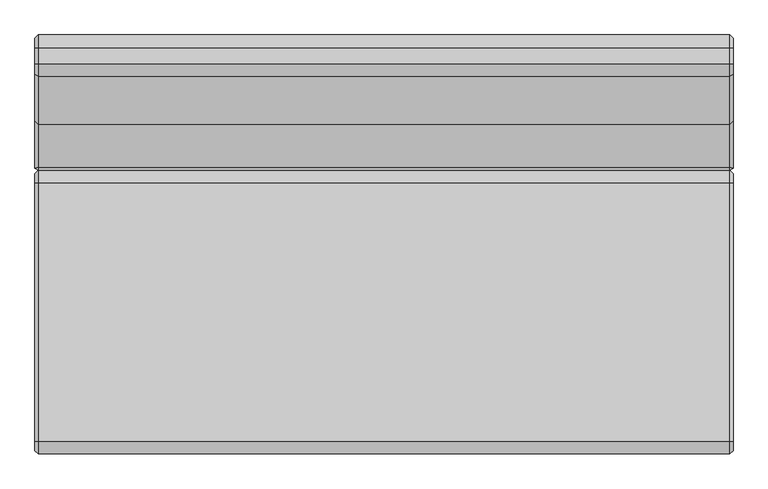
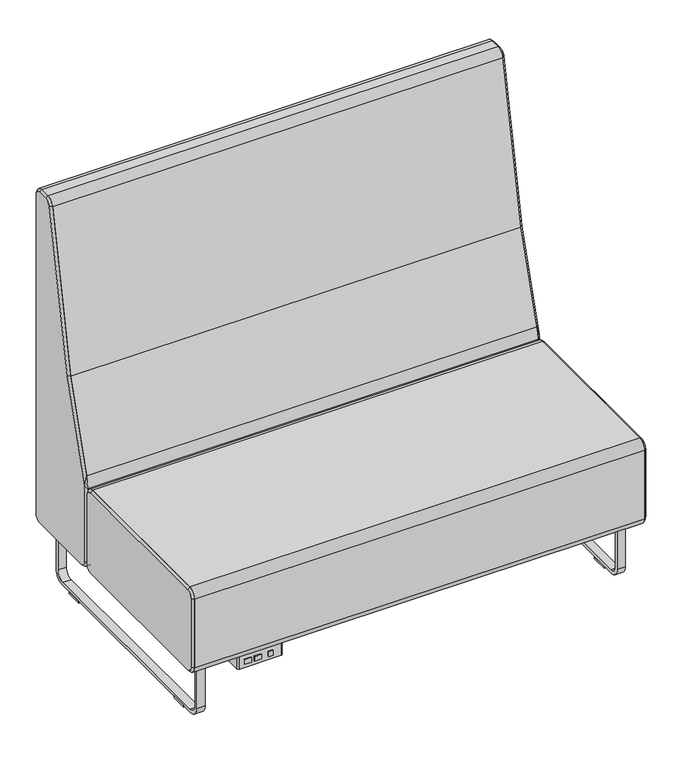
"""IFC4 building model written with IfcOpenShell, lengths in millimetres: furniture geometry."""

import ifcopenshell
import ifcopenshell.guid

model = None  # the IFC model being written
_history = None  # IfcOwnerHistory: only IFC2X3 demands one
_inside = {}  # id of a spatial element -> (the spatial element, [elements in it])
_under = {}  # id of a project, library or spatial element -> (it, [spatial elements below it])
_declared = {}  # id of a project -> (the project, [libraries it declares])
_typed = {}  # id of a type object -> (the type object, [elements of that type])
_made_of = {}  # id of a material, layer set ... -> (it, [elements and type objects made of it])


def new_model(schema):
    """Start an empty IFC model of exactly this schema.

    Asked for "IFC4X3", IfcOpenShell would pick the latest addendum, in which some entities
    have other attributes; the version numbers below select the first issue.
    IFC2X3 requires an IfcOwnerHistory on every rooted entity: one is made here for all.
    """
    global model, _history
    if schema == "IFC4X3":
        model = ifcopenshell.file(schema_version=(4, 3, 0, 0))
    else:
        model = ifcopenshell.file(schema=schema)
    _inside.clear()
    _under.clear()
    _declared.clear()
    _typed.clear()
    _made_of.clear()
    _history = None
    if model.schema == "IFC2X3":
        org = make("IfcOrganization", Name="unknown")
        user = make(
            "IfcPersonAndOrganization",
            ThePerson=make("IfcPerson", FamilyName="unknown"),
            TheOrganization=org,
        )
        app = make(
            "IfcApplication",
            ApplicationDeveloper=org,
            Version="unknown",
            ApplicationFullName="unknown",
            ApplicationIdentifier="unknown",
        )
        _history = make(
            "IfcOwnerHistory",
            OwningUser=user,
            OwningApplication=app,
            ChangeAction="ADDED",
            CreationDate=0,
        )
    return model


def make(cls, **values):
    """One entity of the class cls with the attributes given. An attribute that is None is left unset."""
    return model.create_entity(
        cls, **{name: value for name, value in values.items() if value is not None}
    )


def rooted(cls, **values):
    """An entity with a GlobalId (a new one), such as an element, a storey or a relation."""
    return make(cls, GlobalId=ifcopenshell.guid.new(), OwnerHistory=_history, **values)


def si_unit(unit_type, name, prefix=None):
    """IfcSIUnit, for example si_unit("LENGTHUNIT", "METRE", prefix="MILLI")."""
    return make("IfcSIUnit", UnitType=unit_type, Prefix=prefix, Name=name)


def assignment(units):
    """IfcUnitAssignment: the units of a project."""
    return None if units is None else make("IfcUnitAssignment", Units=units)


def point(xyz):
    """IfcCartesianPoint."""
    return None if xyz is None else make("IfcCartesianPoint", Coordinates=xyz)


def direction(xyz):
    """IfcDirection."""
    return None if xyz is None else make("IfcDirection", DirectionRatios=xyz)


def frame(location, z_axis=None, x_axis=None):
    """IfcAxis2Placement3D, a coordinate frame: its origin and axes. An axis left out is left unset."""
    return make(
        "IfcAxis2Placement3D",
        Location=point(location),
        Axis=direction(z_axis),
        RefDirection=direction(x_axis),
    )


def frame_2d(location, x_axis=None):
    """IfcAxis2Placement2D, a coordinate frame in the plane: its origin and x axis."""
    return make(
        "IfcAxis2Placement2D", Location=point(location), RefDirection=direction(x_axis)
    )


def origin():
    """The frame at (0, 0, 0) with its axes left unset."""
    return frame((0.0, 0.0, 0.0))


def origin_with_axes():
    """The frame at (0, 0, 0) with the z axis (0, 0, 1) and the x axis (1, 0, 0) written out."""
    return frame((0.0, 0.0, 0.0), z_axis=(0.0, 0.0, 1.0), x_axis=(1.0, 0.0, 0.0))


def place(relative_to, where):
    """IfcLocalPlacement: puts the frame where relative to a parent placement (None: the world)."""
    return make(
        "IfcLocalPlacement", PlacementRelTo=relative_to, RelativePlacement=where
    )


def context(
    kind, dimensions, precision=None, world=None, true_north=None, identifier=None
):
    """IfcGeometricRepresentationContext, for example the 3D "Model" context."""
    return make(
        "IfcGeometricRepresentationContext",
        ContextIdentifier=identifier,
        ContextType=kind,
        CoordinateSpaceDimension=dimensions,
        Precision=precision,
        WorldCoordinateSystem=world,
        TrueNorth=true_north,
    )


def project(units=None, contexts=None):
    """IfcProject with its units and contexts."""
    return rooted(
        "IfcProject",
        Name="project",
        RepresentationContexts=contexts,
        UnitsInContext=assignment(units),
    )


def spatial(cls, under=None, at=None, **own):
    """A site, building, storey or space (cls), placed at a placement, below another one or the project."""
    s = rooted(cls, ObjectPlacement=at, **own)
    if under is not None:
        _under.setdefault(under.id(), (under, []))[1].append(s)
    return s


def polyline(points):
    """IfcPolyline through the points."""
    return make("IfcPolyline", Points=[point(p) for p in points])


def circle_curve(where, radius):
    """IfcCircle in the frame where."""
    return make("IfcCircle", Position=where, Radius=radius)


def trimmed(basis, trim1, trim2, sense, master):
    """IfcTrimmedCurve: the piece of a basis curve between two trims."""
    return make(
        "IfcTrimmedCurve",
        BasisCurve=basis,
        Trim1=trim1,
        Trim2=trim2,
        SenseAgreement=sense,
        MasterRepresentation=master,
    )


def segment(curve, same_sense, transition):
    """IfcCompositeCurveSegment."""
    return make(
        "IfcCompositeCurveSegment",
        Transition=transition,
        SameSense=same_sense,
        ParentCurve=curve,
    )


def composite_curve(segments, self_intersect=None):
    """IfcCompositeCurve: segments joined end to end."""
    return make("IfcCompositeCurve", Segments=segments, SelfIntersect=self_intersect)


def outline(outer, holes=None, kind="AREA"):
    """IfcArbitraryClosedProfileDef: a profile drawn as a closed curve; with holes, ...WithVoids."""
    if holes is None:
        return make("IfcArbitraryClosedProfileDef", ProfileType=kind, OuterCurve=outer)
    return make(
        "IfcArbitraryProfileDefWithVoids",
        ProfileType=kind,
        OuterCurve=outer,
        InnerCurves=holes,
    )


def extrude(swept, where, along, depth):
    """IfcExtrudedAreaSolid: the profile swept, set in the frame where, extruded along a direction by depth."""
    return make(
        "IfcExtrudedAreaSolid",
        SweptArea=swept,
        Position=where,
        ExtrudedDirection=direction(along),
        Depth=depth,
    )


def shape(context_of_items, identifier, shape_type, items):
    """IfcShapeRepresentation: the items that make up one representation, for example the "Body"."""
    return make(
        "IfcShapeRepresentation",
        ContextOfItems=context_of_items,
        RepresentationIdentifier=identifier,
        RepresentationType=shape_type,
        Items=items,
    )


def source(mapping_origin, context_of_items, identifier, shape_type, items):
    """IfcRepresentationMap: a shape defined once, which mapped items show again and again."""
    return make(
        "IfcRepresentationMap",
        MappingOrigin=mapping_origin,
        MappedRepresentation=shape(context_of_items, identifier, shape_type, items),
    )


def transform(
    local_origin,
    x_axis=None,
    y_axis=None,
    z_axis=None,
    scale=None,
    scale2=None,
    scale3=None,
    uniform=True,
):
    """IfcCartesianTransformationOperator3D, or its non-uniform kind. x_axis, y_axis, z_axis: its Axis1, 2, 3."""
    if uniform:
        return make(
            "IfcCartesianTransformationOperator3D",
            Axis1=direction(x_axis),
            Axis2=direction(y_axis),
            LocalOrigin=point(local_origin),
            Scale=scale,
            Axis3=direction(z_axis),
        )
    return make(
        "IfcCartesianTransformationOperator3DnonUniform",
        Axis1=direction(x_axis),
        Axis2=direction(y_axis),
        LocalOrigin=point(local_origin),
        Scale=scale,
        Axis3=direction(z_axis),
        Scale2=scale2,
        Scale3=scale3,
    )


def mapped(mapping_source, mapping_target):
    """IfcMappedItem: shows the shape of a source again, moved by a transform."""
    return make(
        "IfcMappedItem", MappingSource=mapping_source, MappingTarget=mapping_target
    )


def made_of(thing, what):
    """Note that an element or type object is made of a material, layer set ...; save() writes the relation."""
    if what is not None:
        _made_of.setdefault(what.id(), (what, []))[1].append(thing)
    return thing


def element(
    cls,
    number,
    at=None,
    inside=None,
    cuts=None,
    type_object=None,
    material=None,
    context=None,
    identifier="Body",
    shape_type=None,
    held_by="IfcProductDefinitionShape",
    body=None,
    shapes=None,
    **own,
):
    """One element of the class cls, such as IfcWall. Its Tag is "e" and its number.

    at: its placement. inside: the storey or other place that contains it. cuts: it is an
    opening in that element (IfcRelVoidsElement). A single representation is given by context,
    identifier, shape_type and body (its items); several are given by shapes. held_by: the class
    of the entity that holds the representations. save() writes the other relations.
    """
    e = rooted(cls, Tag="e%d" % number, ObjectPlacement=at, **own)
    if body is not None:
        shapes = [shape(context, identifier, shape_type, body)]
    if shapes is not None:
        e.Representation = make(held_by, Representations=shapes)
    if inside is not None:
        _inside.setdefault(inside.id(), (inside, []))[1].append(e)
    if cuts is not None:
        rooted(
            "IfcRelVoidsElement", RelatingBuildingElement=cuts, RelatedOpeningElement=e
        )
    if type_object is not None:
        _typed.setdefault(type_object.id(), (type_object, []))[1].append(e)
    return made_of(e, material)


def aggregate(whole, parts):
    """IfcRelAggregates: a whole, such as a stair, and the parts it consists of."""
    return rooted("IfcRelAggregates", RelatingObject=whole, RelatedObjects=parts)


def save(model, path):
    """Write the relations noted so far, then the file.

    IfcRelAggregates (storeys below a building ...), IfcRelContainedInSpatialStructure (elements
    in a storey), IfcRelDefinesByType, IfcRelAssociatesMaterial and IfcRelDeclares: one each for
    every whole, place, type object, material and project.
    """
    for whole, parts in _under.values():
        aggregate(whole, parts)
    for where, things in _inside.values():
        rooted(
            "IfcRelContainedInSpatialStructure",
            RelatedElements=things,
            RelatingStructure=where,
        )
    for kind, things in _typed.values():
        rooted("IfcRelDefinesByType", RelatedObjects=things, RelatingType=kind)
    for what, things in _made_of.values():
        rooted("IfcRelAssociatesMaterial", RelatedObjects=things, RelatingMaterial=what)
    for by, libraries in _declared.values():
        rooted("IfcRelDeclares", RelatingContext=by, RelatedDefinitions=libraries)
    model.write(path)


def plane_surface(at):
    """IfcPlane: the flat surface through the origin of the frame at, square to its z axis."""
    return make("IfcPlane", Position=at)


def revolved_surface(curve, axis_point, axis_direction):
    """IfcSurfaceOfRevolution: the curve turned about the line through axis_point along axis_direction."""
    return make(
        "IfcSurfaceOfRevolution",
        SweptCurve=make("IfcArbitraryOpenProfileDef", ProfileType="CURVE", Curve=curve),
        AxisPosition=make("IfcAxis1Placement", Location=point(axis_point), Axis=direction(axis_direction)),
    )


def spline_surface(u_degree, v_degree, points, u_multiplicities, v_multiplicities, u_knots, v_knots, weights=None):
    """IfcBSplineSurfaceWithKnots; with weights, IfcRationalBSplineSurfaceWithKnots. points: one row for each step in u."""
    own = dict(
        UDegree=u_degree,
        VDegree=v_degree,
        ControlPointsList=[[point(p) for p in row] for row in points],
        SurfaceForm="UNSPECIFIED",
        UClosed=False,
        VClosed=False,
        SelfIntersect=False,
        UMultiplicities=u_multiplicities,
        VMultiplicities=v_multiplicities,
        UKnots=u_knots,
        VKnots=v_knots,
        KnotSpec="UNSPECIFIED",
    )
    if weights is None:
        return make("IfcBSplineSurfaceWithKnots", **own)
    return make("IfcRationalBSplineSurfaceWithKnots", WeightsData=weights, **own)


def advanced_brep(points, edges, surfaces, faces):
    """IfcAdvancedBrep: a solid bounded by faces that lie on surfaces and meet in shared edges.

    An edge is (start, end): straight between two places in points (the first is 0);
    or (start, end, curve); or (start, end, curve, False) where it runs against its curve.
    A face is (place in surfaces, loops), or (place, loops, False) where it looks against
    its surface's normal. A loop lists edges by number (the first is 1), with a minus sign
    where the edge is run from its end to its start. The first loop is the outer one.
    """
    corners = [point(p) for p in points]
    vertices = [make("IfcVertexPoint", VertexGeometry=c) for c in corners]
    made = []
    for start, end, *more in edges:
        made.append(
            make(
                "IfcEdgeCurve",
                EdgeStart=vertices[start],
                EdgeEnd=vertices[end],
                EdgeGeometry=more[0] if more else make("IfcPolyline", Points=[corners[start], corners[end]]),
                SameSense=more[1] if len(more) > 1 else True,
            )
        )
    hull = []
    for where, loops, *sense in faces:
        bounds = []
        for j, loop in enumerate(loops):
            ring = [make("IfcOrientedEdge", EdgeElement=made[abs(k) - 1], Orientation=k > 0) for k in loop]
            bounds.append(
                make(
                    "IfcFaceOuterBound" if j == 0 else "IfcFaceBound",
                    Bound=make("IfcEdgeLoop", EdgeList=ring),
                    Orientation=True,
                )
            )
        hull.append(make("IfcAdvancedFace", Bounds=bounds, FaceSurface=surfaces[where], SameSense=sense[0] if sense else True))
    return make("IfcAdvancedBrep", Outer=make("IfcClosedShell", CfsFaces=hull))


def furniture_6b2443b5(model_context):
    return source(origin(), model_context, "Body", "SolidModel", [
        extrude(outline(polyline([(-780.0135905, -367.8609794), (-793.8184165, -367.8609794), (-793.8184165, -364.6859794), (-780.0135905, -364.6859794), (-780.0135905, -367.8609794)])), frame((0.0, 0.0, 148.4693805), z_axis=(0.0, 0.0, 1.0), x_axis=(1.0, 0.0, 0.0)), (0.0, 0.0, 1.0), 15.3288336),
        extrude(outline(polyline([(-816.1260038, -367.8609794), (-837.5402709, -367.8609794), (-837.5402709, -364.6859794), (-816.1260038, -364.6859794), (-816.1260038, -367.8609794)])), frame((0.0, 0.0, 148.4693805), z_axis=(0.0, 0.0, 1.0), x_axis=(1.0, 0.0, 0.0)), (0.0, 0.0, 1.0), 15.3288336),
        extrude(outline(polyline([(-846.3520036, -367.8609794), (-867.2562055, -367.8609794), (-867.2562055, -364.6859794), (-846.3520036, -364.6859794), (-846.3520036, -367.8609794)])), frame((0.0, 0.0, 148.4693805), z_axis=(0.0, 0.0, 1.0), x_axis=(1.0, 0.0, 0.0)), (0.0, 0.0, 1.0), 15.3288336),
        extrude(outline(composite_curve([segment(trimmed(circle_curve(frame_2d((-748.5937537, -295.6297294)), 0.79375), [point((-748.5937537, -294.8359794))], [point((-747.8000037, -295.6297294))], False, "CARTESIAN"), True, "CONTINUOUS"), segment(polyline([(-747.8000037, -295.6297294), (-747.8000037, -358.3359794)]), True, "CONTINUOUS"), segment(trimmed(circle_curve(frame_2d((-754.1500037, -358.3359794)), 6.35), [point((-747.8000037, -358.3359794))], [point((-754.1500037, -364.6859794))], False, "CARTESIAN"), True, "CONTINUOUS"), segment(polyline([(-754.1500037, -364.6859794), (-881.1500037, -364.6859794)]), True, "CONTINUOUS"), segment(trimmed(circle_curve(frame_2d((-881.1500037, -358.3359794)), 6.35), [point((-881.1500037, -364.6859794))], [point((-887.5000037, -358.3359794))], False, "CARTESIAN"), True, "CONTINUOUS"), segment(polyline([(-887.5000037, -358.3359794), (-887.5000037, -295.6297294)]), True, "CONTINUOUS"), segment(trimmed(circle_curve(frame_2d((-886.7062537, -295.6297294)), 0.79375), [point((-887.5000037, -295.6297294))], [point((-886.7062537, -294.8359794))], False, "CARTESIAN"), True, "CONTINUOUS"), segment(polyline([(-886.7062537, -294.8359794), (-748.5937537, -294.8359794)]), True, "CONTINUOUS")], self_intersect=False)), frame((0.0, 0.0, 136.525), z_axis=(0.0, 0.0, 1.0), x_axis=(1.0, 0.0, 0.0)), (0.0, 0.0, 1.0), 44.45),
        extrude(outline(composite_curve([segment(trimmed(circle_curve(frame_2d((-738.2750037, -304.3609794)), 3.175), [point((-738.2750037, -301.1859794))], [point((-735.1000037, -304.3609794))], False, "CARTESIAN"), True, "CONTINUOUS"), segment(polyline([(-735.1000037, -304.3609794), (-735.1000037, -355.1609794)]), True, "CONTINUOUS"), segment(trimmed(circle_curve(frame_2d((-738.2750037, -355.1609794)), 3.175), [point((-735.1000037, -355.1609794))], [point((-738.2750037, -358.3359794))], False, "CARTESIAN"), True, "CONTINUOUS"), segment(polyline([(-738.2750037, -358.3359794), (-897.0250037, -358.3359794)]), True, "CONTINUOUS"), segment(trimmed(circle_curve(frame_2d((-897.0250037, -355.1609794)), 3.175), [point((-897.0250037, -358.3359794))], [point((-900.2000037, -355.1609794))], False, "CARTESIAN"), True, "CONTINUOUS"), segment(polyline([(-900.2000037, -355.1609794), (-900.2000037, -304.3609794)]), True, "CONTINUOUS"), segment(trimmed(circle_curve(frame_2d((-897.0250037, -304.3609794)), 3.175), [point((-900.2000037, -304.3609794))], [point((-897.0250037, -301.1859794))], False, "CARTESIAN"), True, "CONTINUOUS"), segment(polyline([(-897.0250037, -301.1859794), (-738.2750037, -301.1859794)]), True, "CONTINUOUS")], self_intersect=False)), frame((0.0, 0.0, 180.975), z_axis=(0.0, 0.0, 1.0), x_axis=(1.0, 0.0, 0.0)), (0.0, 0.0, 1.0), 3.175),
        advanced_brep(
        [(-1041.4, 151.6980231, 450.85), (-1041.4, 170.7480231, 431.8), (-1041.4, 170.7480231, 209.55), (-1041.4, 151.6980231, 190.5), (-1041.4, -364.6859794, 190.5), (-1041.4, -383.7359794, 209.55), (-1041.4, -383.7359794, 431.8), (-1041.4, -364.6859794, 450.85), (-1035.05, 151.6980231, 457.2), (-1035.05, -364.6859794, 457.2), (-1035.05, -390.0859794, 431.8), (-1035.05, -390.0859794, 209.55), (-1035.05, -364.6859794, 184.15), (-1035.05, 151.6980231, 184.15), (-1035.05, 177.0980231, 209.55), (-1035.05, 177.0980231, 431.8)],
        [
            (0, 1, circle_curve(frame((-1041.4, 151.6980231, 431.8), z_axis=(-1.0, -2.768452134205448e-12, 0.0), x_axis=(0.0, 0.0, 1.0)), 19.05)),
            (1, 2),
            (2, 3, circle_curve(frame((-1041.4, 151.6980231, 209.55), z_axis=(-1.0, -3.1921132404024314e-12, 0.0), x_axis=(-3.1921549777551463e-12, 1.0, 0.0)), 19.05)),
            (3, 4),
            (4, 5, circle_curve(frame((-1041.4, -364.6859794, 209.55), z_axis=(-1.0, 0.0, 0.0), x_axis=(0.0, 0.0, -1.0)), 19.05)),
            (5, 6),
            (6, 7, circle_curve(frame((-1041.4, -364.6859794, 431.8), z_axis=(-1.0, 0.0, 0.0), x_axis=(0.0, -1.0, 0.0)), 19.05)),
            (7, 0),
            (8, 9),
            (9, 10, circle_curve(frame((-1035.05, -364.6859794, 431.8), z_axis=(1.0, 0.0, 0.0), x_axis=(0.0, -1.0, 0.0)), 25.4)),
            (10, 11),
            (11, 12, circle_curve(frame((-1035.05, -364.6859794, 209.55), z_axis=(1.0, 0.0, 0.0), x_axis=(0.0, 0.0, -1.0)), 25.4)),
            (12, 13),
            (13, 14, circle_curve(frame((-1035.05, 151.6980231, 209.55), z_axis=(1.0, 3.1921132404024314e-12, 0.0), x_axis=(-3.1921549777551463e-12, 1.0, 0.0)), 25.4)),
            (14, 15),
            (15, 8, circle_curve(frame((-1035.05, 151.6980231, 431.8), z_axis=(1.0, 2.768452134205448e-12, 0.0), x_axis=(0.0, 0.0, 1.0)), 25.4)),
            (14, 2),
            (1, 15),
            (12, 4),
            (3, 13),
            (10, 6),
            (5, 11),
            (8, 0),
            (7, 9),
        ],
        [
            plane_surface(frame((-1041.4, -106.4939782, 320.675), z_axis=(-1.0, 0.0, 0.0), x_axis=(0.0, 1.0, 0.0))),
            plane_surface(frame((-1035.05, -106.4939782, 320.675), z_axis=(1.0, 0.0, 0.0), x_axis=(0.0, 1.0, 0.0))),
            plane_surface(frame((-1035.05, 177.0980231, 320.675), z_axis=(-0.7071067811876215, 0.7071067811854735, 0.0), x_axis=(0.0, 0.0, -1.0))),
            plane_surface(frame((-1035.05, -106.4939782, 184.15), z_axis=(-0.7071067811863855, 0.0, -0.7071067811867096), x_axis=(0.0, -1.0, 0.0))),
            plane_surface(frame((-1035.05, -390.0859794, 320.675), z_axis=(-0.7071067811866266, -0.7071067811864684, 0.0), x_axis=(0.0, 0.0, 1.0))),
            plane_surface(frame((-1035.05, -106.4939782, 457.2), z_axis=(-0.7071067811865928, 0.0, 0.7071067811865024), x_axis=(0.0, 1.0, 0.0))),
            revolved_surface(polyline([(-1041.4, 151.6980231, 450.8499999999999), (-1035.0499999999297, 151.6980231, 457.2000000000703)]), (-1060.45, 151.6980231, 431.8), (1.0, 2.768452134205448e-12, 0.0)),
            revolved_surface(polyline([(-1041.4000000000608, 170.74802309993908, 209.55), (-1035.05, 177.0980231, 209.55)]), (-1060.45, 151.6980231, 209.55), (1.0, 3.1921132404024314e-12, 0.0)),
            revolved_surface(polyline([(-1041.4, -364.6859794, 190.5000000000001), (-1035.05, -364.6859794, 184.15)]), (-1060.45, -364.6859794, 209.55), (1.0, 0.0, 0.0)),
            revolved_surface(polyline([(-1041.4, -383.7359793999999, 431.8), (-1035.05, -390.0859794, 431.8)]), (-1060.45, -364.6859794, 431.8), (1.0, 0.0, 0.0)),
        ],
        [
            (0, [[1, 2, 3, 4, 5, 6, 7, 8]]),
            (1, [[9, 10, 11, 12, 13, 14, 15, 16]]),
            (2, [[-15, 17, -2, 18]]),
            (3, [[-13, 19, -4, 20]]),
            (4, [[-11, 21, -6, 22]]),
            (5, [[-9, 23, -8, 24]]),
            (6, [[-16, -18, -1, -23]]),
            (7, [[-14, -20, -3, -17]]),
            (8, [[-12, -22, -5, -19]]),
            (9, [[-10, -24, -7, -21]]),
        ],
    ),
        advanced_brep(
        [(355.6, 441.7640206, 209.55), (355.6, 441.7640206, 1243.6301753), (355.6, 421.7441958, 1263.65), (355.6, 390.0258576, 1263.65), (355.6, 370.6351744, 1247.6591529), (355.6, 275.0456068, 754.8593998), (355.6, 181.6267453, 456.75942), (355.6, 181.6267453, 209.55), (355.6, 200.6767453, 190.5), (355.6, 422.7140206, 190.5), (349.25, 448.1140206, 209.55), (349.25, 422.7140206, 184.15), (349.25, 202.4980231, 184.15), (349.25, 177.0980231, 209.55), (349.25, 177.0980231, 448.1421227), (349.25, 183.8862715, 485.2041409), (349.25, 268.8796408, 756.4183397), (349.25, 364.4013661, 1248.8683399), (349.25, 390.0258576, 1270.0), (349.25, 421.7441958, 1270.0), (349.25, 448.1140206, 1243.6301753)],
        [
            (0, 1),
            (1, 2, circle_curve(frame((355.6, 421.7441958, 1243.6301753), z_axis=(1.0, 0.0, 0.0), x_axis=(0.0, 1.0, 0.0)), 20.0198247)),
            (2, 3),
            (3, 4, circle_curve(frame((355.6, 390.0258576, 1243.8978949), z_axis=(1.0, 0.0, 1.1937117960814128e-12), x_axis=(-1.1937412963337627e-12, 0.0, 1.0)), 19.7521051)),
            (4, 5),
            (5, 6),
            (6, 7),
            (7, 8, circle_curve(frame((355.6, 200.6767453, 209.55), z_axis=(1.0, 0.0, 0.0), x_axis=(0.0, -1.0, 0.0)), 19.05)),
            (8, 9),
            (9, 0, circle_curve(frame((355.6, 422.7140206, 209.55), z_axis=(1.0, 0.0, 0.0), x_axis=(0.0, 0.0, -1.0)), 19.05)),
            (10, 11, circle_curve(frame((349.25, 422.7140206, 209.55), z_axis=(-1.0, 0.0, 0.0), x_axis=(0.0, 0.0, -1.0)), 25.4)),
            (11, 12),
            (12, 13, circle_curve(frame((349.25, 202.4980231, 209.55), z_axis=(-1.0, 0.0, 0.0), x_axis=(0.0, -1.0, 0.0)), 25.4)),
            (13, 14),
            (14, 15, circle_curve(frame((349.25, 330.963593, 439.112907), z_axis=(-1.0, 0.0, 0.0), x_axis=(0.0, -1.0, 0.0)), 154.1302707)),
            (15, 16),
            (16, 17),
            (17, 18, circle_curve(frame((349.25, 390.0258576, 1243.8978949), z_axis=(-1.0, 0.0, -1.1937117960814128e-12), x_axis=(-1.1937412963337627e-12, 0.0, 1.0)), 26.1021051)),
            (18, 19),
            (19, 20, circle_curve(frame((349.25, 421.7441958, 1243.6301753), z_axis=(-1.0, 0.0, 0.0), x_axis=(0.0, 1.0, 0.0)), 26.3698247)),
            (20, 10),
            (20, 1),
            (0, 10),
            (14, 6),
            (6, 15),
            (18, 3),
            (2, 19),
            (5, 16),
            (4, 17),
            (11, 9),
            (8, 12),
            (13, 7),
        ],
        [
            plane_surface(frame((355.6, 332.7623132, 703.0308148), z_axis=(1.0, 0.0, 0.0), x_axis=(0.0, -1.0, 0.0))),
            plane_surface(frame((349.25, 318.5975875, 682.6966471), z_axis=(-1.0, 0.0, 0.0), x_axis=(0.0, -1.0, 0.0))),
            plane_surface(frame((349.25, 448.1140206, 726.5900876), z_axis=(0.7071067811877572, 0.7071067811853379, 0.0), x_axis=(0.0, 0.0, 1.0))),
            spline_surface(2, 1, [[(349.25, 183.8862715, 485.2041409), (355.6, 181.6267453, 456.75942)], [(349.25, 178.20999802483482, 467.09112836245816), (355.6, 181.6267453, 456.75942)], [(349.25, 177.0980231, 448.1421227), (355.6, 181.6267453, 456.75942)]], [3, 3], [2, 2], [0.0, 1.0], [0.0, 1.0], weights=[[1.0, 1.0], [0.9925018543197952, 0.9925018543197952], [1.0, 1.0]]),
            plane_surface(frame((349.25, 405.8850267, 1270.0), z_axis=(0.707106781187825, 0.0, 0.70710678118527), x_axis=(0.0, -1.0, 0.0))),
            plane_surface(frame((349.25, 226.3829562, 620.8112403), z_axis=(0.7071067811878768, -0.6747498133218032, 0.2114537524384756), x_axis=(0.0, -0.29904076451373685, -0.954240337210202))),
            plane_surface(frame((349.25, 316.6405034, 1002.6433398), z_axis=(0.7071067811877871, -0.6941682162898245, 0.13464949866691173), x_axis=(0.0, -0.19042314718181808, -0.9817021060471307))),
            revolved_surface(polyline([(355.6, 390.0258576, 1263.65), (349.24999999996885, 390.0258576, 1270.0000000000312)]), (375.3521051, 390.0258576, 1243.8978949), (-1.0, 0.0, -1.1937117960814128e-12)),
            revolved_surface(polyline([(355.6, 441.7640205759194, 1243.6301753), (349.25, 448.1140206, 1243.6301753)]), (375.6198247, 421.7441958, 1243.6301753), (-1.0, 0.0, 0.0)),
            plane_surface(frame((349.25, 312.6060218, 184.15), z_axis=(0.7071067811879985, 0.0, -0.7071067811850965), x_axis=(0.0, 1.0, 0.0))),
            plane_surface(frame((349.25, 177.0980231, 328.8460613), z_axis=(0.5806444204860475, -0.8141572679516054, 0.0), x_axis=(0.0, 0.0, -1.0))),
            revolved_surface(polyline([(355.6, 422.7140206, 190.50000000000003), (349.25, 422.7140206, 184.15)]), (374.65, 422.7140206, 209.55), (-1.0, 0.0, 0.0)),
            spline_surface(2, 1, [[(349.25, 177.0980231, 209.55), (355.6, 181.6267453, 209.55)], [(349.25, 177.0980231, 184.15), (355.6, 181.6267453, 190.50000000000003)], [(349.25, 202.4980231, 184.15), (355.6, 200.6767453, 190.5)]], [3, 3], [2, 2], [0.0, 1.0], [0.0, 1.0], weights=[[1.0, 1.0], [0.7071067811865476, 0.7071067811865476], [1.0, 1.0]]),
        ],
        [
            (0, [[1, 2, 3, 4, 5, 6, 7, 8, 9, 10]]),
            (1, [[11, 12, 13, 14, 15, 16, 17, 18, 19, 20, 21]]),
            (2, [[-21, 22, -1, 23]]),
            (3, [[-15, 24, 25]]),
            (4, [[-19, 26, -3, 27]]),
            (5, [[-16, -25, -6, 28]]),
            (6, [[-17, -28, -5, 29]]),
            (7, [[-18, -29, -4, -26]]),
            (8, [[-20, -27, -2, -22]]),
            (9, [[-12, 30, -9, 31]]),
            (10, [[-14, 32, -7, -24]]),
            (11, [[-11, -23, -10, -30]]),
            (12, [[-13, -31, -8, -32]]),
        ],
    ),
        advanced_brep(
        [(355.6, 151.6980231, 450.85), (355.6, -364.6859794, 450.85), (355.6, -383.7359794, 431.8), (355.6, -383.7359794, 209.55), (355.6, -364.6859794, 190.5), (355.6, 151.6980231, 190.5), (355.6, 170.7480231, 209.55), (355.6, 170.7480231, 431.8), (349.25, 151.6980231, 457.2), (349.25, 177.0980231, 431.8), (349.25, 177.0980231, 209.55), (349.25, 151.6980231, 184.15), (349.25, -364.6859794, 184.15), (349.25, -390.0859794, 209.55), (349.25, -390.0859794, 431.8), (349.25, -364.6859794, 457.2)],
        [
            (0, 1),
            (1, 2, circle_curve(frame((355.6, -364.6859794, 431.8), z_axis=(1.0, 0.0, 0.0), x_axis=(0.0, 0.0, 1.0)), 19.05)),
            (2, 3),
            (3, 4, circle_curve(frame((355.6, -364.6859794, 209.55), z_axis=(1.0, 0.0, 0.0), x_axis=(0.0, -1.0, 0.0)), 19.05)),
            (4, 5),
            (5, 6, circle_curve(frame((355.6, 151.6980231, 209.55), z_axis=(1.0, -2.8617108682842753e-12, 0.0), x_axis=(0.0, 0.0, -1.0)), 19.05)),
            (6, 7),
            (7, 0, circle_curve(frame((355.6, 151.6980231, 431.8), z_axis=(1.0, -2.4433788326040377e-12, 0.0), x_axis=(2.443377884202076e-12, 1.0, 0.0)), 19.05)),
            (8, 9, circle_curve(frame((349.25, 151.6980231, 431.8), z_axis=(-1.0, 2.4433788326040377e-12, 0.0), x_axis=(2.443377884202076e-12, 1.0, 0.0)), 25.4)),
            (9, 10),
            (10, 11, circle_curve(frame((349.25, 151.6980231, 209.55), z_axis=(-1.0, 2.8617108682842753e-12, 0.0), x_axis=(0.0, 0.0, -1.0)), 25.4)),
            (11, 12),
            (12, 13, circle_curve(frame((349.25, -364.6859794, 209.55), z_axis=(-1.0, 0.0, 0.0), x_axis=(0.0, -1.0, 0.0)), 25.4)),
            (13, 14),
            (14, 15, circle_curve(frame((349.25, -364.6859794, 431.8), z_axis=(-1.0, 0.0, 0.0), x_axis=(0.0, 0.0, 1.0)), 25.4)),
            (15, 8),
            (9, 7),
            (6, 10),
            (11, 5),
            (4, 12),
            (13, 3),
            (2, 14),
            (15, 1),
            (0, 8),
        ],
        [
            plane_surface(frame((355.6, -106.4939782, 320.675), z_axis=(1.0, 0.0, 0.0), x_axis=(0.0, -1.0, 0.0))),
            plane_surface(frame((349.25, -106.4939782, 320.675), z_axis=(-1.0, 0.0, 0.0), x_axis=(0.0, -1.0, 0.0))),
            plane_surface(frame((349.25, 177.0980231, 320.675), z_axis=(0.7071067811887972, 0.7071067811842979, 0.0), x_axis=(0.0, 0.0, 1.0))),
            plane_surface(frame((349.25, -106.4939782, 184.15), z_axis=(0.7071067811876705, 0.0, -0.7071067811854246), x_axis=(0.0, 1.0, 0.0))),
            plane_surface(frame((349.25, -390.0859794, 320.675), z_axis=(0.7071067811879042, -0.707106781185191, 0.0), x_axis=(0.0, 0.0, -1.0))),
            plane_surface(frame((349.25, -106.4939782, 457.2), z_axis=(0.7071067811878551, 0.0, 0.70710678118524), x_axis=(0.0, -1.0, 0.0))),
            revolved_surface(polyline([(355.6000000000466, 170.74802309995343, 431.8), (349.25, 177.0980231, 431.8)]), (374.65, 151.6980231, 431.8), (-1.0, 2.4433788326040377e-12, 0.0)),
            revolved_surface(polyline([(355.6, 151.6980231, 190.50000000000003), (349.2499999999273, 151.6980231, 184.14999999992733)]), (374.65, 151.6980231, 209.55), (-1.0, 2.8617108682842753e-12, 0.0)),
            revolved_surface(polyline([(355.6, -383.73597939999996, 209.55), (349.25, -390.0859794, 209.55)]), (374.65, -364.6859794, 209.55), (-1.0, 0.0, 0.0)),
            revolved_surface(polyline([(355.6, -364.6859794, 450.84999999999997), (349.25, -364.6859794, 457.2)]), (374.65, -364.6859794, 431.8), (-1.0, 0.0, 0.0)),
        ],
        [
            (0, [[1, 2, 3, 4, 5, 6, 7, 8]]),
            (1, [[9, 10, 11, 12, 13, 14, 15, 16]]),
            (2, [[-10, 17, -7, 18]]),
            (3, [[-12, 19, -5, 20]]),
            (4, [[-14, 21, -3, 22]]),
            (5, [[-16, 23, -1, 24]]),
            (6, [[-9, -24, -8, -17]]),
            (7, [[-11, -18, -6, -19]]),
            (8, [[-13, -20, -4, -21]]),
            (9, [[-15, -22, -2, -23]]),
        ],
    ),
        extrude(outline(composite_curve([segment(polyline([(-364.6859794, 457.2), (151.6980231, 457.2)]), True, "CONTINUOUS"), segment(trimmed(circle_curve(frame_2d((151.6980231, 431.8)), 25.4), [point((151.6980231, 457.2))], [point((177.0980231, 431.8))], False, "CARTESIAN"), True, "CONTINUOUS"), segment(polyline([(177.0980231, 431.8), (177.0980231, 209.55)]), True, "CONTINUOUS"), segment(trimmed(circle_curve(frame_2d((151.6980231, 209.55)), 25.4), [point((177.0980231, 209.55))], [point((151.6980231, 184.15))], False, "CARTESIAN"), True, "CONTINUOUS"), segment(polyline([(151.6980231, 184.15), (-364.6859794, 184.15)]), True, "CONTINUOUS"), segment(trimmed(circle_curve(frame_2d((-364.6859794, 209.55)), 25.4), [point((-364.6859794, 184.15))], [point((-390.0859794, 209.55))], False, "CARTESIAN"), True, "CONTINUOUS"), segment(polyline([(-390.0859794, 209.55), (-390.0859794, 431.8)]), True, "CONTINUOUS"), segment(trimmed(circle_curve(frame_2d((-364.6859794, 431.8)), 25.4), [point((-390.0859794, 431.8))], [point((-364.6859794, 457.2))], False, "CARTESIAN"), True, "CONTINUOUS")], self_intersect=False)), frame((-1035.05, 0.0, 0.0), z_axis=(1.0, 0.0, 0.0), x_axis=(0.0, 1.0, 0.0)), (0.0, 0.0, 1.0), 1384.3),
        advanced_brep(
        [(-1041.4, 441.7640206, 209.55), (-1041.4, 422.7140206, 190.5), (-1041.4, 200.6767453, 190.5), (-1041.4, 181.6267453, 209.55), (-1041.4, 181.6267453, 456.75942), (-1041.4, 275.0456068, 754.8593998), (-1041.4, 370.6351744, 1247.6591529), (-1041.4, 390.0258576, 1263.65), (-1041.4, 421.7441958, 1263.65), (-1041.4, 441.7640206, 1243.6301753), (-1035.05, 448.1140206, 209.55), (-1035.05, 448.1140206, 1243.6301753), (-1035.05, 421.7441958, 1270.0), (-1035.05, 390.0258576, 1270.0), (-1035.05, 364.4013661, 1248.8683399), (-1035.05, 268.8796408, 756.4183397), (-1035.05, 183.8862715, 485.2041409), (-1035.05, 177.0980231, 448.1421227), (-1035.05, 177.0980231, 209.55), (-1035.05, 202.4980231, 184.15), (-1035.05, 422.7140206, 184.15)],
        [
            (0, 1, circle_curve(frame((-1041.4, 422.7140206, 209.55), z_axis=(-1.0, 0.0, 0.0), x_axis=(0.0, 1.0, 0.0)), 19.05)),
            (1, 2),
            (2, 3, circle_curve(frame((-1041.4, 200.6767453, 209.55), z_axis=(-1.0, 0.0, 0.0), x_axis=(0.0, -1.0, 0.0)), 19.05)),
            (3, 4),
            (4, 5),
            (5, 6),
            (6, 7, circle_curve(frame((-1041.4, 390.0258576, 1243.8978949), z_axis=(-1.0, 0.0, 1.1937117960769853e-12), x_axis=(1.200492693908296e-12, -0.9817021060471366, 0.19042314718178724)), 19.7521051)),
            (7, 8),
            (8, 9, circle_curve(frame((-1041.4, 421.7441958, 1243.6301753), z_axis=(-1.0, 0.0, 0.0), x_axis=(0.0, 0.0, 1.0)), 20.0198247)),
            (9, 0),
            (10, 11),
            (11, 12, circle_curve(frame((-1035.05, 421.7441958, 1243.6301753), z_axis=(1.0, 0.0, 0.0), x_axis=(0.0, 0.0, 1.0)), 26.3698247)),
            (12, 13),
            (13, 14, circle_curve(frame((-1035.05, 390.0258576, 1243.8978949), z_axis=(1.0, 0.0, -1.1937117960769853e-12), x_axis=(1.200492693908296e-12, -0.9817021060471366, 0.19042314718178724)), 26.1021051)),
            (14, 15),
            (15, 16),
            (16, 17, circle_curve(frame((-1035.05, 330.963593, 439.112907), z_axis=(1.0, 0.0, 0.0), x_axis=(0.0, -1.0, 0.0)), 154.1302707)),
            (17, 18),
            (18, 19, circle_curve(frame((-1035.05, 202.4980231, 209.55), z_axis=(1.0, 0.0, 0.0), x_axis=(0.0, -1.0, 0.0)), 25.4)),
            (19, 20),
            (20, 10, circle_curve(frame((-1035.05, 422.7140206, 209.55), z_axis=(1.0, 0.0, 0.0), x_axis=(0.0, 1.0, 0.0)), 25.4)),
            (10, 0),
            (9, 11),
            (16, 4),
            (4, 17),
            (12, 8),
            (7, 13),
            (15, 5),
            (14, 6),
            (19, 2),
            (1, 20),
            (3, 18),
        ],
        [
            plane_surface(frame((-1041.4, 332.7623132, 703.0308148), z_axis=(-1.0, 0.0, 0.0), x_axis=(0.0, 1.0, 0.0))),
            plane_surface(frame((-1035.05, 318.5975875, 682.6966471), z_axis=(1.0, 0.0, 0.0), x_axis=(0.0, 1.0, 0.0))),
            plane_surface(frame((-1035.05, 448.1140206, 726.5900876), z_axis=(-0.7071067811864459, 0.7071067811866493, 0.0), x_axis=(0.0, 0.0, -1.0))),
            spline_surface(2, 1, [[(-1035.05, 177.0980231, 448.1421227), (-1041.4, 181.6267453, 456.75942)], [(-1035.05, 178.2099980584638, 467.0911283562987), (-1041.4, 181.6267453, 456.75942)], [(-1035.05, 183.8862715, 485.2041409), (-1041.4, 181.6267453, 456.75942)]], [3, 3], [2, 2], [0.0, 1.0], [0.0, 1.0], weights=[[1.0, 1.0], [0.9925018544290458, 0.9925018544290458], [1.0, 1.0]]),
            plane_surface(frame((-1035.05, 405.8850267, 1270.0), z_axis=(-0.7071067811865098, 0.0, 0.7071067811865852), x_axis=(0.0, 1.0, 0.0))),
            plane_surface(frame((-1035.05, 226.3829562, 620.8112403), z_axis=(-0.7071067811865703, -0.6747498133230498, 0.2114537524388663), x_axis=(0.0, 0.29904076451373685, 0.954240337210202))),
            plane_surface(frame((-1035.05, 316.6405034, 1002.6433398), z_axis=(-0.7071067811864693, -0.6941682162911181, 0.13464949866716266), x_axis=(0.0, 0.19042314718181808, 0.9817021060471307))),
            revolved_surface(polyline([(-1041.4000000000192, 370.6351744615138, 1247.6591529156867), (-1035.049999999994, 364.4013660999942, 1248.868339900001)]), (-1061.1521051, 390.0258576, 1243.8978949), (1.0, 0.0, -1.1937117960769853e-12)),
            revolved_surface(polyline([(-1041.4, 421.7441958, 1263.6499999999999), (-1035.05, 421.7441958, 1270.0)]), (-1061.4198247, 421.7441958, 1243.6301753), (1.0, 0.0, 0.0)),
            plane_surface(frame((-1035.05, 312.6060218, 184.15), z_axis=(-0.7071067811866911, 0.0, -0.707106781186404), x_axis=(0.0, -1.0, 0.0))),
            plane_surface(frame((-1035.05, 177.0980231, 328.8460613), z_axis=(-0.5806444204846171, -0.8141572679526256, 0.0), x_axis=(0.0, 0.0, 1.0))),
            revolved_surface(polyline([(-1041.4, 441.76402059999987, 209.55), (-1035.05, 448.1140206, 209.55)]), (-1060.45, 422.7140206, 209.55), (1.0, 0.0, 0.0)),
            spline_surface(2, 1, [[(-1035.05, 202.4980231, 184.15), (-1041.4, 200.6767453, 190.5)], [(-1035.05, 177.0980231, 184.15), (-1041.4, 181.62674529999998, 190.5)], [(-1035.05, 177.0980231, 209.55), (-1041.4, 181.6267453, 209.55)]], [3, 3], [2, 2], [0.0, 1.0], [0.0, 1.0], weights=[[1.0, 1.0], [0.7071067811865476, 0.7071067811865476], [1.0, 1.0]]),
        ],
        [
            (0, [[1, 2, 3, 4, 5, 6, 7, 8, 9, 10]]),
            (1, [[11, 12, 13, 14, 15, 16, 17, 18, 19, 20, 21]]),
            (2, [[-11, 22, -10, 23]]),
            (3, [[-17, 24, 25]]),
            (4, [[-13, 26, -8, 27]]),
            (5, [[-16, 28, -5, -24]]),
            (6, [[-15, 29, -6, -28]]),
            (7, [[-14, -27, -7, -29]]),
            (8, [[-12, -23, -9, -26]]),
            (9, [[-20, 30, -2, 31]]),
            (10, [[-18, -25, -4, 32]]),
            (11, [[-21, -31, -1, -22]]),
            (12, [[-19, -32, -3, -30]]),
        ],
    ),
        extrude(outline(composite_curve([segment(polyline([(448.1140206, 1243.6301753), (448.1140206, 209.55)]), True, "CONTINUOUS"), segment(trimmed(circle_curve(frame_2d((422.7140206, 209.55)), 25.4), [point((448.1140206, 209.55))], [point((422.7140206, 184.15))], False, "CARTESIAN"), True, "CONTINUOUS"), segment(polyline([(422.7140206, 184.15), (202.4980231, 184.15)]), True, "CONTINUOUS"), segment(trimmed(circle_curve(frame_2d((202.4980231, 209.55)), 25.4), [point((202.4980231, 184.15))], [point((177.0980231, 209.55))], False, "CARTESIAN"), True, "CONTINUOUS"), segment(polyline([(177.0980231, 209.55), (177.0980231, 448.1421227)]), True, "CONTINUOUS"), segment(trimmed(circle_curve(frame_2d((330.963593, 439.112907)), 154.1302707), [point((177.0980231, 448.1421227))], [point((183.8862715, 485.2041409))], False, "CARTESIAN"), True, "CONTINUOUS"), segment(polyline([(183.8862715, 485.2041409), (268.8796408, 756.4183397), (364.4013661, 1248.8683399)]), True, "CONTINUOUS"), segment(trimmed(circle_curve(frame_2d((390.0258576, 1243.8978949)), 26.1021051), [point((364.4013661, 1248.8683399))], [point((390.0258576, 1270.0))], False, "CARTESIAN"), True, "CONTINUOUS"), segment(polyline([(390.0258576, 1270.0), (421.7441958, 1270.0)]), True, "CONTINUOUS"), segment(trimmed(circle_curve(frame_2d((421.7441958, 1243.6301753)), 26.3698247), [point((421.7441958, 1270.0))], [point((448.1140206, 1243.6301753))], False, "CARTESIAN"), True, "CONTINUOUS")], self_intersect=False)), frame((-1035.05, 0.0, 0.0), z_axis=(1.0, 0.0, 0.0), x_axis=(0.0, 1.0, 0.0)), (0.0, 0.0, 1.0), 1384.3),
        extrude(outline(composite_curve([segment(trimmed(circle_curve(frame_2d((371.5140283, 38.1)), 31.75), [point((403.2640283, 38.1))], [point((371.5140283, 6.35))], False, "CARTESIAN"), True, "CONTINUOUS"), segment(polyline([(371.5140283, 6.35), (-313.4859554, 6.35)]), True, "CONTINUOUS"), segment(trimmed(circle_curve(frame_2d((-313.4859554, 38.1)), 31.75), [point((-313.4859554, 6.35))], [point((-345.2359554, 38.1))], False, "CARTESIAN"), True, "CONTINUOUS"), segment(polyline([(-345.2359554, 38.1), (-345.2359554, 177.8), (-335.7109554, 177.8), (-335.7109554, 41.275)]), True, "CONTINUOUS"), segment(trimmed(circle_curve(frame_2d((-310.3109554, 41.275)), 25.4), [point((-335.7109554, 41.275))], [point((-310.3109554, 15.875))], True, "CARTESIAN"), True, "CONTINUOUS"), segment(polyline([(-310.3109554, 15.875), (368.3390283, 15.875)]), True, "CONTINUOUS"), segment(trimmed(circle_curve(frame_2d((368.3390283, 41.275)), 25.4), [point((368.3390283, 15.875))], [point((393.7390283, 41.275))], True, "CARTESIAN"), True, "CONTINUOUS"), segment(polyline([(393.7390283, 41.275), (393.7390283, 177.8), (403.2640283, 177.8), (403.2640283, 38.1)]), True, "CONTINUOUS")], self_intersect=False)), frame((290.5999947, 0.0, 0.0), z_axis=(1.0, 0.0, 0.0), x_axis=(0.0, 1.0, 0.0)), (0.0, 0.0, 1.0), 25.3999758),
        extrude(outline(polyline([(255.6749825, -345.2359554), (255.6749825, -284.9110039), (315.9999704, -284.9110039), (315.9999704, -345.2359554), (255.6749825, -345.2359554)])), frame((0.0, 0.0, 177.8), z_axis=(0.0, 0.0, 1.0), x_axis=(1.0, 0.0, 0.0)), (0.0, 0.0, 1.0), 6.35),
        extrude(outline(polyline([(255.6749825, 403.2640283), (315.9999704, 403.2640283), (315.9999704, 342.9390268), (255.6749825, 342.9390268), (255.6749825, 403.2640283)])), frame((0.0, 0.0, 177.8), z_axis=(0.0, 0.0, 1.0), x_axis=(1.0, 0.0, 0.0)), (0.0, 0.0, 1.0), 6.35),
        extrude(outline(polyline([(290.5999947, -275.3109358), (290.5999947, -224.5109842), (315.9999704, -224.5109842), (315.9999704, -275.3109358), (290.5999947, -275.3109358)])), origin_with_axes(), (0.0, 0.0, 1.0), 6.35),
        extrude(outline(polyline([(290.5999947, 333.3390314), (315.9999704, 333.3390314), (315.9999704, 282.5390253), (290.5999947, 282.5390253), (290.5999947, 333.3390314)])), origin_with_axes(), (0.0, 0.0, 1.0), 6.35),
        extrude(outline(polyline([(-941.4750007, -345.2359554), (-1001.8000022, -345.2359554), (-1001.8000022, -284.9110039), (-941.4750007, -284.9110039), (-941.4750007, -345.2359554)])), frame((0.0, 0.0, 177.8), z_axis=(0.0, 0.0, 1.0), x_axis=(1.0, 0.0, 0.0)), (0.0, 0.0, 1.0), 6.35),
        extrude(outline(polyline([(-941.4750007, 403.2640283), (-941.4750007, 342.9390268), (-1001.8000022, 342.9390268), (-1001.8000022, 403.2640283), (-941.4750007, 403.2640283)])), frame((0.0, 0.0, 177.8), z_axis=(0.0, 0.0, 1.0), x_axis=(1.0, 0.0, 0.0)), (0.0, 0.0, 1.0), 6.35),
        extrude(outline(polyline([(-976.4000037, -275.3109358), (-1001.8000022, -275.3109358), (-1001.8000022, -224.5109842), (-976.4000037, -224.5109842), (-976.4000037, -275.3109358)])), origin_with_axes(), (0.0, 0.0, 1.0), 6.35),
        extrude(outline(polyline([(-976.4000037, 333.3390314), (-976.4000037, 282.5390253), (-1001.8000022, 282.5390253), (-1001.8000022, 333.3390314), (-976.4000037, 333.3390314)])), origin_with_axes(), (0.0, 0.0, 1.0), 6.35),
        extrude(outline(composite_curve([segment(trimmed(circle_curve(frame_2d((371.5140283, 38.1)), 31.75), [point((403.2640283, 38.1))], [point((371.5140283, 6.35))], False, "CARTESIAN"), True, "CONTINUOUS"), segment(polyline([(371.5140283, 6.35), (-313.4859554, 6.35)]), True, "CONTINUOUS"), segment(trimmed(circle_curve(frame_2d((-313.4859554, 38.1)), 31.75), [point((-313.4859554, 6.35))], [point((-345.2359554, 38.1))], False, "CARTESIAN"), True, "CONTINUOUS"), segment(polyline([(-345.2359554, 38.1), (-345.2359554, 177.8), (-335.7109554, 177.8), (-335.7109554, 41.275)]), True, "CONTINUOUS"), segment(trimmed(circle_curve(frame_2d((-310.3109554, 41.275)), 25.4), [point((-335.7109554, 41.275))], [point((-310.3109554, 15.875))], True, "CARTESIAN"), True, "CONTINUOUS"), segment(polyline([(-310.3109554, 15.875), (368.3390283, 15.875)]), True, "CONTINUOUS"), segment(trimmed(circle_curve(frame_2d((368.3390283, 41.275)), 25.4), [point((368.3390283, 15.875))], [point((393.7390283, 41.275))], True, "CARTESIAN"), True, "CONTINUOUS"), segment(polyline([(393.7390283, 41.275), (393.7390283, 177.8), (403.2640283, 177.8), (403.2640283, 38.1)]), True, "CONTINUOUS")], self_intersect=False)), frame((-1001.8000022, 0.0, 0.0), z_axis=(1.0, 0.0, 0.0), x_axis=(0.0, 1.0, 0.0)), (0.0, 0.0, 1.0), 25.3999985),
    ])


if __name__ == "__main__":
    model = new_model("IFC4")
    model_context = context("Model", 3, world=origin())
    ifc_project = project(units=[si_unit("LENGTHUNIT", "METRE", prefix="MILLI")], contexts=[model_context])
    site = spatial("IfcSite", under=ifc_project)
    building = spatial("IfcBuilding", under=site)
    placement = place(None, origin())
    furniture_shape = furniture_6b2443b5(model_context)
    element("IfcFurniture", 1, at=placement, inside=building, context=model_context, shape_type="MappedRepresentation", body=[
        mapped(furniture_shape, transform((0.0, 0.0, 0.0), x_axis=(1.0, 0.0, 0.0), y_axis=(0.0, 1.0, 0.0), z_axis=(0.0, 0.0, 1.0))),
    ])
    save(model, "model.ifc")
